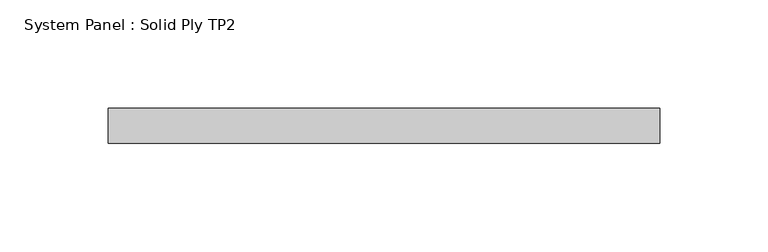
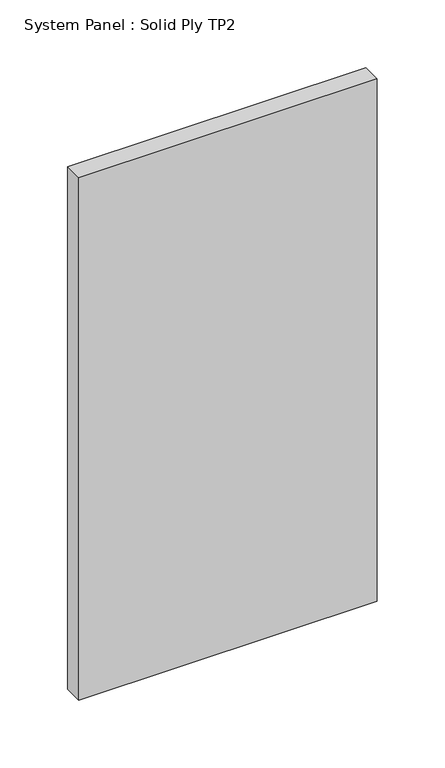
"""IFC4 building model written with IfcOpenShell, lengths in millimetres: plate geometry, System Panel : Solid Ply TP2."""

from ifc_helpers import new_model, si_unit, origin, origin_with_axes, place, context, project, spatial, polyline, outline, extrude, source, transform, mapped, element, save


def system_panel_solid_ply_tp2_add4b0d8(model_context):
    return source(origin(), model_context, "Body", "SweptSolid", [
        extrude(outline(polyline([(126.9999996, -23.0), (-126.9999996, -23.0), (-126.9999996, -7.0), (126.9999996, -7.0), (126.9999996, -23.0)])), origin_with_axes(), (0.0, 0.0, 1.0), 470.0),
    ])


if __name__ == "__main__":
    model = new_model("IFC4")
    model_context = context("Model", 3, world=origin())
    ifc_project = project(units=[si_unit("LENGTHUNIT", "METRE", prefix="MILLI")], contexts=[model_context])
    site = spatial("IfcSite", under=ifc_project)
    building = spatial("IfcBuilding", under=site)
    placement = place(None, origin())
    system_panel_solid_ply_tp2_shape = system_panel_solid_ply_tp2_add4b0d8(model_context)
    element("IfcPlate", 1, ObjectType="System Panel : Solid Ply TP2", at=placement, inside=building, context=model_context, shape_type="MappedRepresentation", body=[
        mapped(system_panel_solid_ply_tp2_shape, transform((0.0, 0.0, 0.0), x_axis=(1.0, 0.0, 0.0), y_axis=(0.0, 1.0, 0.0), z_axis=(0.0, 0.0, 1.0))),
    ])
    save(model, "model.ifc")
